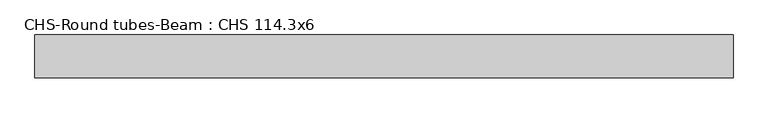
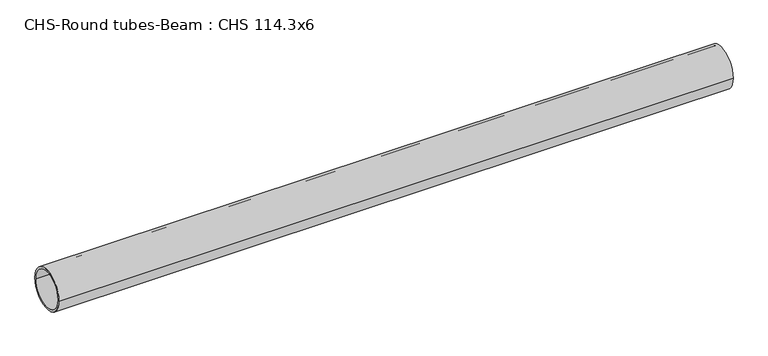
"""IFC4 building model written with IfcOpenShell, lengths in millimetres: beam geometry, CHS-Round tubes-Beam : CHS 114.3x6."""

from ifc_helpers import new_model, si_unit, point, frame, origin, origin_2d, place, context, project, spatial, circle_curve, trimmed, segment, composite_curve, outline, extrude, source, transform, mapped, element, save


def chs_round_tubes_beam_chs_114_3x6_f6f39b3f(model_context):
    return source(origin(), model_context, "Body", "SweptSolid", [
        extrude(outline(composite_curve([segment(trimmed(circle_curve(origin_2d(), 57.15), [point((57.15, 0.0))], [point((-57.15, 0.0))], False, "CARTESIAN"), True, "CONTINUOUS"), segment(trimmed(circle_curve(origin_2d(), 57.15), [point((-57.15, 0.0))], [point((57.15, 0.0))], False, "CARTESIAN"), True, "CONTINUOUS")], self_intersect=False), holes=[composite_curve([segment(trimmed(circle_curve(origin_2d(), 51.15), [point((51.15, 0.0))], [point((-51.15, 0.0))], True, "CARTESIAN"), True, "CONTINUOUS"), segment(trimmed(circle_curve(origin_2d(), 51.15), [point((-51.15, 0.0))], [point((51.15, 0.0))], True, "CARTESIAN"), True, "CONTINUOUS")], self_intersect=False)]), frame((-928.0118981, 0.0, 0.0), z_axis=(1.0, 0.0, 0.0), x_axis=(0.0, 1.0, 0.0)), (0.0, 0.0, 1.0), 1858.1800238),
    ])


if __name__ == "__main__":
    model = new_model("IFC4")
    model_context = context("Model", 3, world=origin())
    ifc_project = project(units=[si_unit("LENGTHUNIT", "METRE", prefix="MILLI")], contexts=[model_context])
    site = spatial("IfcSite", under=ifc_project)
    building = spatial("IfcBuilding", under=site)
    placement = place(None, origin())
    chs_round_tubes_beam_chs_114_3x6_shape = chs_round_tubes_beam_chs_114_3x6_f6f39b3f(model_context)
    element("IfcBeam", 1, ObjectType="CHS-Round tubes-Beam : CHS 114.3x6", at=placement, inside=building, context=model_context, shape_type="MappedRepresentation", body=[
        mapped(chs_round_tubes_beam_chs_114_3x6_shape, transform((0.0, 0.0, 0.0), x_axis=(1.0, 0.0, 0.0), y_axis=(0.0, 1.0, 0.0), z_axis=(0.0, 0.0, 1.0))),
    ])
    save(model, "model.ifc")
